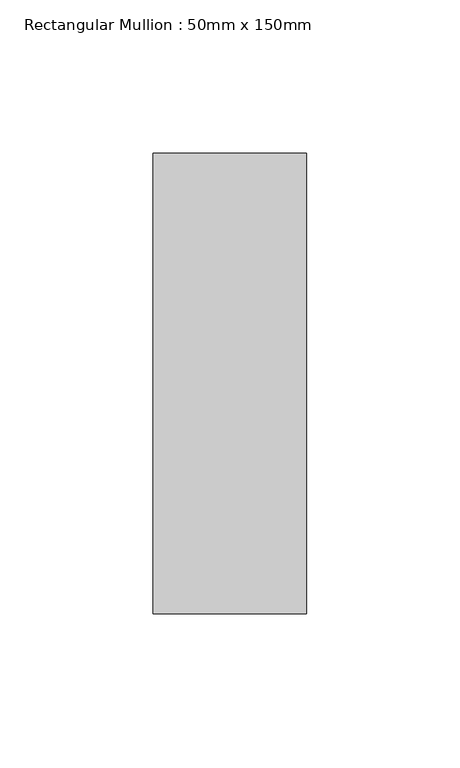
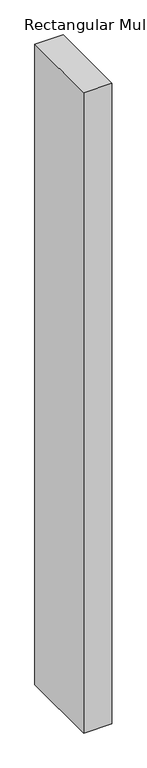
"""IFC4 building model written with IfcOpenShell, lengths in millimetres: member geometry, Rectangular Mullion : 50mm x 150mm."""

from ifc_helpers import new_model, si_unit, frame, origin, place, context, project, spatial, polyline, outline, extrude, source, transform, mapped, element, save


def rectangular_mullion_50mm_x_150mm_ef96cf69(model_context):
    return source(origin(), model_context, "Body", "SweptSolid", [
        extrude(outline(polyline([(0.0, 75.0), (0.0, -75.0), (-50.0, -75.0), (-50.0, 75.0), (0.0, 75.0)])), frame((0.0, 0.0, -1199.9999998), z_axis=(0.0, 0.0, 1.0), x_axis=(1.0, 0.0, 0.0)), (0.0, 0.0, 1.0), 1199.9999998),
    ])


if __name__ == "__main__":
    model = new_model("IFC4")
    model_context = context("Model", 3, world=origin())
    ifc_project = project(units=[si_unit("LENGTHUNIT", "METRE", prefix="MILLI")], contexts=[model_context])
    site = spatial("IfcSite", under=ifc_project)
    building = spatial("IfcBuilding", under=site)
    placement = place(None, origin())
    rectangular_mullion_50mm_x_150mm_shape = rectangular_mullion_50mm_x_150mm_ef96cf69(model_context)
    element("IfcMember", 1, ObjectType="Rectangular Mullion : 50mm x 150mm", at=placement, inside=building, context=model_context, shape_type="MappedRepresentation", body=[
        mapped(rectangular_mullion_50mm_x_150mm_shape, transform((0.0, 0.0, 0.0), x_axis=(1.0, 0.0, 0.0), y_axis=(0.0, 1.0, 0.0), z_axis=(0.0, 0.0, 1.0))),
    ])
    save(model, "model.ifc")
